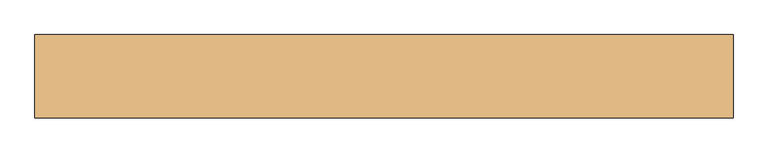
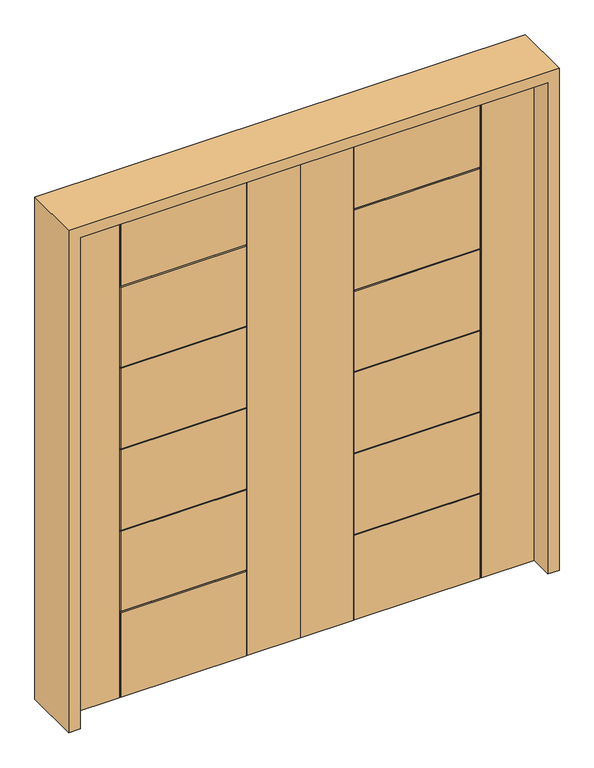
"""IFC4 building model written with IfcOpenShell, lengths in millimetres: door geometry."""

from ifc_helpers import new_model, si_unit, frame, origin, place, context, project, spatial, polyline, outline, extrude, faceted_brep, source, transform, mapped, element, save


def door_3f424e7a(model_context):
    return source(origin(), model_context, "Body", "SolidModel", [
        faceted_brep([(-914.4, 22.225, 2032.0), (-914.4, -22.225, 2032.0), (-707.263, -22.225, 2032.0), (-707.263, -17.4498, 2032.0), (-702.4878, -17.4498, 2032.0), (-702.4878, -22.225, 2032.0), (-211.9122, -22.225, 2032.0), (-211.9122, -17.4498, 2032.0), (-207.137, -17.4498, 2032.0), (-207.137, -22.225, 2032.0), (0.0, -22.225, 2032.0), (0.0, 22.225, 2032.0), (-207.137, 22.225, 2032.0), (-207.137, 17.4498, 2032.0), (-211.9122, 17.4498, 2032.0), (-211.9122, 22.225, 2032.0), (-702.4878, 22.225, 2032.0), (-702.4878, 17.4498, 2032.0), (-707.263, 17.4498, 2032.0), (-707.263, 22.225, 2032.0), (0.0, 22.225, 0.0), (0.0, -22.225, 0.0), (-207.137, -22.225, 0.0), (-207.137, -17.4498, 0.0), (-211.9122, -17.4498, 0.0), (-211.9122, -22.225, 0.0), (-702.4878, -22.225, 0.0), (-702.4878, -17.4498, 0.0), (-707.263, -17.4498, 0.0), (-707.263, -22.225, 0.0), (-914.4, -22.225, 0.0), (-914.4, 22.225, 0.0), (-707.263, 22.225, 0.0), (-707.263, 17.4498, 0.0), (-702.4878, 17.4498, 0.0), (-702.4878, 22.225, 0.0), (-211.9122, 22.225, 0.0), (-211.9122, 17.4498, 0.0), (-207.137, 17.4498, 0.0), (-207.137, 22.225, 0.0), (-211.9122, 22.225, 1701.038), (-702.4878, 22.225, 1701.038), (-702.4878, 22.225, 350.266), (-211.9122, 22.225, 350.266), (-702.4878, 22.225, 1364.5388), (-702.4878, 22.225, 1696.2628), (-211.9122, 22.225, 1696.2628), (-211.9122, 22.225, 1364.5388), (-702.4878, 22.225, 1359.7636), (-211.9122, 22.225, 1359.7636), (-211.9122, 22.225, 1028.0396), (-702.4878, 22.225, 1028.0396), (-702.4878, 22.225, 691.5404), (-702.4878, 22.225, 1023.2644), (-211.9122, 22.225, 1023.2644), (-211.9122, 22.225, 691.5404), (-702.4878, 22.225, 686.7652), (-211.9122, 22.225, 686.7652), (-211.9122, 22.225, 355.0412), (-702.4878, 22.225, 355.0412), (-702.4878, -22.225, 1701.038), (-211.9122, -22.225, 1701.038), (-211.9122, -22.225, 350.266), (-702.4878, -22.225, 350.266), (-702.4878, -22.225, 1696.2628), (-702.4878, -22.225, 1364.5388), (-211.9122, -22.225, 1364.5388), (-211.9122, -22.225, 1696.2628), (-211.9122, -22.225, 1359.7636), (-702.4878, -22.225, 1359.7636), (-702.4878, -22.225, 1028.0396), (-211.9122, -22.225, 1028.0396), (-702.4878, -22.225, 1023.2644), (-702.4878, -22.225, 691.5404), (-211.9122, -22.225, 691.5404), (-211.9122, -22.225, 1023.2644), (-211.9122, -22.225, 686.7652), (-702.4878, -22.225, 686.7652), (-702.4878, -22.225, 355.0412), (-211.9122, -22.225, 355.0412), (-211.9122, 17.4498, 350.266), (-702.4878, 17.4498, 350.266), (-702.4878, 17.4498, 1701.038), (-211.9122, 17.4498, 1701.038), (-702.4878, 17.4498, 1696.2628), (-702.4878, 17.4498, 1364.5388), (-211.9122, 17.4498, 1364.5388), (-211.9122, 17.4498, 1696.2628), (-211.9122, 17.4498, 1359.7636), (-702.4878, 17.4498, 1359.7636), (-702.4878, 17.4498, 1028.0396), (-211.9122, 17.4498, 1028.0396), (-702.4878, 17.4498, 1023.2644), (-702.4878, 17.4498, 691.5404), (-211.9122, 17.4498, 691.5404), (-211.9122, 17.4498, 1023.2644), (-211.9122, 17.4498, 686.7652), (-702.4878, 17.4498, 686.7652), (-702.4878, 17.4498, 355.0412), (-211.9122, 17.4498, 355.0412), (-211.9122, -17.4498, 1701.038), (-702.4878, -17.4498, 1701.038), (-702.4878, -17.4498, 350.266), (-211.9122, -17.4498, 350.266), (-702.4878, -17.4498, 1696.2628), (-211.9122, -17.4498, 1696.2628), (-211.9122, -17.4498, 1364.5388), (-702.4878, -17.4498, 1364.5388), (-211.9122, -17.4498, 1359.7636), (-211.9122, -17.4498, 1028.0396), (-702.4878, -17.4498, 1028.0396), (-702.4878, -17.4498, 1359.7636), (-702.4878, -17.4498, 1023.2644), (-211.9122, -17.4498, 1023.2644), (-211.9122, -17.4498, 691.5404), (-702.4878, -17.4498, 691.5404), (-211.9122, -17.4498, 686.7652), (-211.9122, -17.4498, 355.0412), (-702.4878, -17.4498, 355.0412), (-702.4878, -17.4498, 686.7652)], [[[0, 1, 2, 3, 4, 5, 6, 7, 8, 9, 10, 11, 12, 13, 14, 15, 16, 17, 18, 19]], [[20, 21, 22, 23, 24, 25, 26, 27, 28, 29, 30, 31, 32, 33, 34, 35, 36, 37, 38, 39]], [[16, 15, 40, 41]], [[36, 35, 42, 43]], [[11, 20, 39, 12]], [[44, 45, 46, 47]], [[48, 49, 50, 51]], [[52, 53, 54, 55]], [[56, 57, 58, 59]], [[31, 0, 19, 32]], [[1, 0, 31, 30]], [[6, 5, 60, 61]], [[26, 25, 62, 63]], [[1, 30, 29, 2]], [[64, 65, 66, 67]], [[68, 69, 70, 71]], [[72, 73, 74, 75]], [[76, 77, 78, 79]], [[21, 10, 9, 22]], [[11, 10, 21, 20]], [[37, 80, 81, 34, 33, 18, 17, 82, 83, 14, 13, 38], [84, 85, 86, 87], [88, 89, 90, 91], [92, 93, 94, 95], [96, 97, 98, 99]], [[80, 37, 36, 43]], [[81, 80, 43, 42]], [[34, 81, 42, 35]], [[18, 33, 32, 19]], [[82, 17, 16, 41]], [[83, 82, 41, 40]], [[14, 83, 40, 15]], [[38, 13, 12, 39]], [[85, 84, 45, 44]], [[86, 85, 44, 47]], [[87, 86, 47, 46]], [[84, 87, 46, 45]], [[89, 88, 49, 48]], [[90, 89, 48, 51]], [[91, 90, 51, 50]], [[88, 91, 50, 49]], [[93, 92, 53, 52]], [[94, 93, 52, 55]], [[95, 94, 55, 54]], [[92, 95, 54, 53]], [[97, 96, 57, 56]], [[98, 97, 56, 59]], [[99, 98, 59, 58]], [[96, 99, 58, 57]], [[23, 8, 7, 100, 101, 4, 3, 28, 27, 102, 103, 24], [104, 105, 106, 107], [108, 109, 110, 111], [112, 113, 114, 115], [116, 117, 118, 119]], [[24, 103, 62, 25]], [[103, 102, 63, 62]], [[102, 27, 26, 63]], [[28, 3, 2, 29]], [[4, 101, 60, 5]], [[101, 100, 61, 60]], [[100, 7, 6, 61]], [[8, 23, 22, 9]], [[104, 107, 65, 64]], [[107, 106, 66, 65]], [[106, 105, 67, 66]], [[105, 104, 64, 67]], [[108, 111, 69, 68]], [[111, 110, 70, 69]], [[110, 109, 71, 70]], [[109, 108, 68, 71]], [[112, 115, 73, 72]], [[115, 114, 74, 73]], [[114, 113, 75, 74]], [[113, 112, 72, 75]], [[116, 119, 77, 76]], [[119, 118, 78, 77]], [[118, 117, 79, 78]], [[117, 116, 76, 79]]]),
        faceted_brep([(914.4, 22.225, 2032.0), (707.263, 22.225, 2032.0), (707.263, 17.4498, 2032.0), (702.4878, 17.4498, 2032.0), (702.4878, 22.225, 2032.0), (211.9122, 22.225, 2032.0), (211.9122, 17.4498, 2032.0), (207.137, 17.4498, 2032.0), (207.137, 22.225, 2032.0), (0.0, 22.225, 2032.0), (0.0, -22.225, 2032.0), (207.137, -22.225, 2032.0), (207.137, -17.4498, 2032.0), (211.9122, -17.4498, 2032.0), (211.9122, -22.225, 2032.0), (702.4878, -22.225, 2032.0), (702.4878, -17.4498, 2032.0), (707.263, -17.4498, 2032.0), (707.263, -22.225, 2032.0), (914.4, -22.225, 2032.0), (0.0, 22.225, 0.0), (207.137, 22.225, 0.0), (207.137, 17.4498, 0.0), (211.9122, 17.4498, 0.0), (211.9122, 22.225, 0.0), (702.4878, 22.225, 0.0), (702.4878, 17.4498, 0.0), (707.263, 17.4498, 0.0), (707.263, 22.225, 0.0), (914.4, 22.225, 0.0), (914.4, -22.225, 0.0), (707.263, -22.225, 0.0), (707.263, -17.4498, 0.0), (702.4878, -17.4498, 0.0), (702.4878, -22.225, 0.0), (211.9122, -22.225, 0.0), (211.9122, -17.4498, 0.0), (207.137, -17.4498, 0.0), (207.137, -22.225, 0.0), (0.0, -22.225, 0.0), (702.4878, 22.225, 1701.038), (211.9122, 22.225, 1701.038), (211.9122, 22.225, 350.266), (702.4878, 22.225, 350.266), (702.4878, 22.225, 1364.5388), (211.9122, 22.225, 1364.5388), (211.9122, 22.225, 1696.2628), (702.4878, 22.225, 1696.2628), (702.4878, 22.225, 1359.7636), (702.4878, 22.225, 1028.0396), (211.9122, 22.225, 1028.0396), (211.9122, 22.225, 1359.7636), (702.4878, 22.225, 691.5404), (211.9122, 22.225, 691.5404), (211.9122, 22.225, 1023.2644), (702.4878, 22.225, 1023.2644), (702.4878, 22.225, 686.7652), (702.4878, 22.225, 355.0412), (211.9122, 22.225, 355.0412), (211.9122, 22.225, 686.7652), (211.9122, -22.225, 1701.038), (702.4878, -22.225, 1701.038), (702.4878, -22.225, 350.266), (211.9122, -22.225, 350.266), (702.4878, -22.225, 1696.2628), (211.9122, -22.225, 1696.2628), (211.9122, -22.225, 1364.5388), (702.4878, -22.225, 1364.5388), (211.9122, -22.225, 1359.7636), (211.9122, -22.225, 1028.0396), (702.4878, -22.225, 1028.0396), (702.4878, -22.225, 1359.7636), (702.4878, -22.225, 1023.2644), (211.9122, -22.225, 1023.2644), (211.9122, -22.225, 691.5404), (702.4878, -22.225, 691.5404), (211.9122, -22.225, 686.7652), (211.9122, -22.225, 355.0412), (702.4878, -22.225, 355.0412), (702.4878, -22.225, 686.7652), (211.9122, 17.4498, 1701.038), (702.4878, 17.4498, 1701.038), (702.4878, 17.4498, 350.266), (211.9122, 17.4498, 350.266), (702.4878, 17.4498, 1696.2628), (211.9122, 17.4498, 1696.2628), (211.9122, 17.4498, 1364.5388), (702.4878, 17.4498, 1364.5388), (211.9122, 17.4498, 1359.7636), (211.9122, 17.4498, 1028.0396), (702.4878, 17.4498, 1028.0396), (702.4878, 17.4498, 1359.7636), (702.4878, 17.4498, 1023.2644), (211.9122, 17.4498, 1023.2644), (211.9122, 17.4498, 691.5404), (702.4878, 17.4498, 691.5404), (211.9122, 17.4498, 686.7652), (211.9122, 17.4498, 355.0412), (702.4878, 17.4498, 355.0412), (702.4878, 17.4498, 686.7652), (211.9122, -17.4498, 350.266), (702.4878, -17.4498, 350.266), (702.4878, -17.4498, 1701.038), (211.9122, -17.4498, 1701.038), (702.4878, -17.4498, 1696.2628), (702.4878, -17.4498, 1364.5388), (211.9122, -17.4498, 1364.5388), (211.9122, -17.4498, 1696.2628), (211.9122, -17.4498, 1359.7636), (702.4878, -17.4498, 1359.7636), (702.4878, -17.4498, 1028.0396), (211.9122, -17.4498, 1028.0396), (702.4878, -17.4498, 1023.2644), (702.4878, -17.4498, 691.5404), (211.9122, -17.4498, 691.5404), (211.9122, -17.4498, 1023.2644), (211.9122, -17.4498, 686.7652), (702.4878, -17.4498, 686.7652), (702.4878, -17.4498, 355.0412), (211.9122, -17.4498, 355.0412)], [[[0, 1, 2, 3, 4, 5, 6, 7, 8, 9, 10, 11, 12, 13, 14, 15, 16, 17, 18, 19]], [[20, 21, 22, 23, 24, 25, 26, 27, 28, 29, 30, 31, 32, 33, 34, 35, 36, 37, 38, 39]], [[9, 8, 21, 20]], [[29, 28, 1, 0]], [[4, 40, 41, 5]], [[24, 42, 43, 25]], [[44, 45, 46, 47]], [[48, 49, 50, 51]], [[52, 53, 54, 55]], [[56, 57, 58, 59]], [[19, 30, 29, 0]], [[19, 18, 31, 30]], [[39, 38, 11, 10]], [[14, 60, 61, 15]], [[34, 62, 63, 35]], [[64, 65, 66, 67]], [[68, 69, 70, 71]], [[72, 73, 74, 75]], [[76, 77, 78, 79]], [[9, 20, 39, 10]], [[23, 22, 7, 6, 80, 81, 3, 2, 27, 26, 82, 83], [84, 85, 86, 87], [88, 89, 90, 91], [92, 93, 94, 95], [96, 97, 98, 99]], [[83, 42, 24, 23]], [[82, 43, 42, 83]], [[26, 25, 43, 82]], [[2, 1, 28, 27]], [[81, 40, 4, 3]], [[80, 41, 40, 81]], [[6, 5, 41, 80]], [[22, 21, 8, 7]], [[87, 44, 47, 84]], [[86, 45, 44, 87]], [[85, 46, 45, 86]], [[84, 47, 46, 85]], [[91, 48, 51, 88]], [[90, 49, 48, 91]], [[89, 50, 49, 90]], [[88, 51, 50, 89]], [[95, 52, 55, 92]], [[94, 53, 52, 95]], [[93, 54, 53, 94]], [[92, 55, 54, 93]], [[99, 56, 59, 96]], [[98, 57, 56, 99]], [[97, 58, 57, 98]], [[96, 59, 58, 97]], [[37, 36, 100, 101, 33, 32, 17, 16, 102, 103, 13, 12], [104, 105, 106, 107], [108, 109, 110, 111], [112, 113, 114, 115], [116, 117, 118, 119]], [[36, 35, 63, 100]], [[100, 63, 62, 101]], [[101, 62, 34, 33]], [[32, 31, 18, 17]], [[16, 15, 61, 102]], [[102, 61, 60, 103]], [[103, 60, 14, 13]], [[12, 11, 38, 37]], [[104, 64, 67, 105]], [[105, 67, 66, 106]], [[106, 66, 65, 107]], [[107, 65, 64, 104]], [[108, 68, 71, 109]], [[109, 71, 70, 110]], [[110, 70, 69, 111]], [[111, 69, 68, 108]], [[112, 72, 75, 113]], [[113, 75, 74, 114]], [[114, 74, 73, 115]], [[115, 73, 72, 112]], [[116, 76, 79, 117]], [[117, 79, 78, 118]], [[118, 78, 77, 119]], [[119, 77, 76, 116]]]),
        extrude(outline(polyline([(0.0, -958.85), (0.0, -914.4), (2032.0, -914.4), (2032.0, 914.4), (0.0, 914.4), (0.0, 958.85), (2076.45, 958.85), (2076.45, -958.85), (0.0, -958.85)])), frame((0.0, -114.3, 0.0), z_axis=(0.0, 1.0, 0.0), x_axis=(0.0, 0.0, 1.0)), (0.0, 0.0, 1.0), 228.6),
    ])


if __name__ == "__main__":
    model = new_model("IFC4")
    model_context = context("Model", 3, world=origin())
    ifc_project = project(units=[si_unit("LENGTHUNIT", "METRE", prefix="MILLI")], contexts=[model_context])
    site = spatial("IfcSite", under=ifc_project)
    building = spatial("IfcBuilding", under=site)
    placement = place(None, origin())
    door_shape = door_3f424e7a(model_context)
    element("IfcDoor", 1, at=placement, inside=building, context=model_context, shape_type="MappedRepresentation", body=[
        mapped(door_shape, transform((0.0, 0.0, 0.0), x_axis=(1.0, 0.0, 0.0), y_axis=(0.0, 1.0, 0.0), z_axis=(0.0, 0.0, 1.0))),
    ])
    save(model, "model.ifc")
